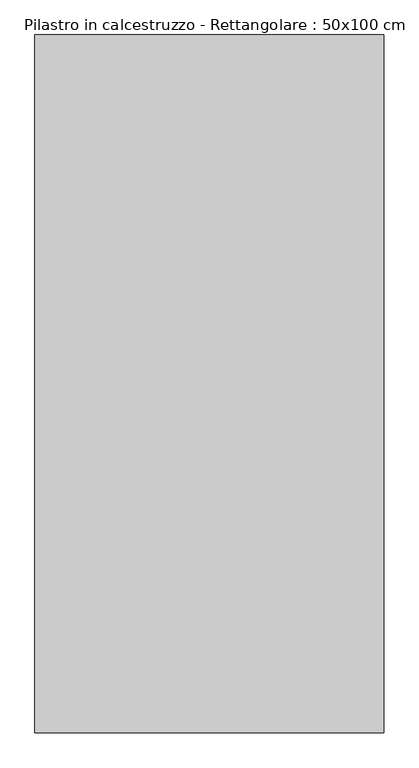
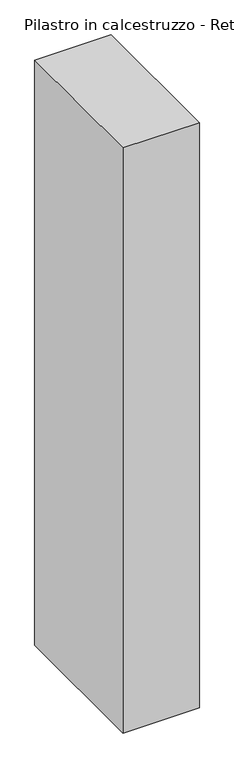
"""IFC4 building model written with IfcOpenShell, lengths in millimetres: column geometry, Pilastro in calcestruzzo - Rettangolare : 50x100 cm."""

import ifcopenshell
import ifcopenshell.guid

model = None  # the IFC model being written
_history = None  # IfcOwnerHistory: only IFC2X3 demands one
_inside = {}  # id of a spatial element -> (the spatial element, [elements in it])
_under = {}  # id of a project, library or spatial element -> (it, [spatial elements below it])
_declared = {}  # id of a project -> (the project, [libraries it declares])
_typed = {}  # id of a type object -> (the type object, [elements of that type])
_made_of = {}  # id of a material, layer set ... -> (it, [elements and type objects made of it])


def new_model(schema):
    """Start an empty IFC model of exactly this schema.

    Asked for "IFC4X3", IfcOpenShell would pick the latest addendum, in which some entities
    have other attributes; the version numbers below select the first issue.
    IFC2X3 requires an IfcOwnerHistory on every rooted entity: one is made here for all.
    """
    global model, _history
    if schema == "IFC4X3":
        model = ifcopenshell.file(schema_version=(4, 3, 0, 0))
    else:
        model = ifcopenshell.file(schema=schema)
    _inside.clear()
    _under.clear()
    _declared.clear()
    _typed.clear()
    _made_of.clear()
    _history = None
    if model.schema == "IFC2X3":
        org = make("IfcOrganization", Name="unknown")
        user = make(
            "IfcPersonAndOrganization",
            ThePerson=make("IfcPerson", FamilyName="unknown"),
            TheOrganization=org,
        )
        app = make(
            "IfcApplication",
            ApplicationDeveloper=org,
            Version="unknown",
            ApplicationFullName="unknown",
            ApplicationIdentifier="unknown",
        )
        _history = make(
            "IfcOwnerHistory",
            OwningUser=user,
            OwningApplication=app,
            ChangeAction="ADDED",
            CreationDate=0,
        )
    return model


def make(cls, **values):
    """One entity of the class cls with the attributes given. An attribute that is None is left unset."""
    return model.create_entity(
        cls, **{name: value for name, value in values.items() if value is not None}
    )


def rooted(cls, **values):
    """An entity with a GlobalId (a new one), such as an element, a storey or a relation."""
    return make(cls, GlobalId=ifcopenshell.guid.new(), OwnerHistory=_history, **values)


def si_unit(unit_type, name, prefix=None):
    """IfcSIUnit, for example si_unit("LENGTHUNIT", "METRE", prefix="MILLI")."""
    return make("IfcSIUnit", UnitType=unit_type, Prefix=prefix, Name=name)


def assignment(units):
    """IfcUnitAssignment: the units of a project."""
    return None if units is None else make("IfcUnitAssignment", Units=units)


def point(xyz):
    """IfcCartesianPoint."""
    return None if xyz is None else make("IfcCartesianPoint", Coordinates=xyz)


def direction(xyz):
    """IfcDirection."""
    return None if xyz is None else make("IfcDirection", DirectionRatios=xyz)


def frame(location, z_axis=None, x_axis=None):
    """IfcAxis2Placement3D, a coordinate frame: its origin and axes. An axis left out is left unset."""
    return make(
        "IfcAxis2Placement3D",
        Location=point(location),
        Axis=direction(z_axis),
        RefDirection=direction(x_axis),
    )


def origin():
    """The frame at (0, 0, 0) with its axes left unset."""
    return frame((0.0, 0.0, 0.0))


def place(relative_to, where):
    """IfcLocalPlacement: puts the frame where relative to a parent placement (None: the world)."""
    return make(
        "IfcLocalPlacement", PlacementRelTo=relative_to, RelativePlacement=where
    )


def context(
    kind, dimensions, precision=None, world=None, true_north=None, identifier=None
):
    """IfcGeometricRepresentationContext, for example the 3D "Model" context."""
    return make(
        "IfcGeometricRepresentationContext",
        ContextIdentifier=identifier,
        ContextType=kind,
        CoordinateSpaceDimension=dimensions,
        Precision=precision,
        WorldCoordinateSystem=world,
        TrueNorth=true_north,
    )


def project(units=None, contexts=None):
    """IfcProject with its units and contexts."""
    return rooted(
        "IfcProject",
        Name="project",
        RepresentationContexts=contexts,
        UnitsInContext=assignment(units),
    )


def spatial(cls, under=None, at=None, **own):
    """A site, building, storey or space (cls), placed at a placement, below another one or the project."""
    s = rooted(cls, ObjectPlacement=at, **own)
    if under is not None:
        _under.setdefault(under.id(), (under, []))[1].append(s)
    return s


def polyline(points):
    """IfcPolyline through the points."""
    return make("IfcPolyline", Points=[point(p) for p in points])


def outline(outer, holes=None, kind="AREA"):
    """IfcArbitraryClosedProfileDef: a profile drawn as a closed curve; with holes, ...WithVoids."""
    if holes is None:
        return make("IfcArbitraryClosedProfileDef", ProfileType=kind, OuterCurve=outer)
    return make(
        "IfcArbitraryProfileDefWithVoids",
        ProfileType=kind,
        OuterCurve=outer,
        InnerCurves=holes,
    )


def extrude(swept, where, along, depth):
    """IfcExtrudedAreaSolid: the profile swept, set in the frame where, extruded along a direction by depth."""
    return make(
        "IfcExtrudedAreaSolid",
        SweptArea=swept,
        Position=where,
        ExtrudedDirection=direction(along),
        Depth=depth,
    )


def shape(context_of_items, identifier, shape_type, items):
    """IfcShapeRepresentation: the items that make up one representation, for example the "Body"."""
    return make(
        "IfcShapeRepresentation",
        ContextOfItems=context_of_items,
        RepresentationIdentifier=identifier,
        RepresentationType=shape_type,
        Items=items,
    )


def source(mapping_origin, context_of_items, identifier, shape_type, items):
    """IfcRepresentationMap: a shape defined once, which mapped items show again and again."""
    return make(
        "IfcRepresentationMap",
        MappingOrigin=mapping_origin,
        MappedRepresentation=shape(context_of_items, identifier, shape_type, items),
    )


def transform(
    local_origin,
    x_axis=None,
    y_axis=None,
    z_axis=None,
    scale=None,
    scale2=None,
    scale3=None,
    uniform=True,
):
    """IfcCartesianTransformationOperator3D, or its non-uniform kind. x_axis, y_axis, z_axis: its Axis1, 2, 3."""
    if uniform:
        return make(
            "IfcCartesianTransformationOperator3D",
            Axis1=direction(x_axis),
            Axis2=direction(y_axis),
            LocalOrigin=point(local_origin),
            Scale=scale,
            Axis3=direction(z_axis),
        )
    return make(
        "IfcCartesianTransformationOperator3DnonUniform",
        Axis1=direction(x_axis),
        Axis2=direction(y_axis),
        LocalOrigin=point(local_origin),
        Scale=scale,
        Axis3=direction(z_axis),
        Scale2=scale2,
        Scale3=scale3,
    )


def mapped(mapping_source, mapping_target):
    """IfcMappedItem: shows the shape of a source again, moved by a transform."""
    return make(
        "IfcMappedItem", MappingSource=mapping_source, MappingTarget=mapping_target
    )


def made_of(thing, what):
    """Note that an element or type object is made of a material, layer set ...; save() writes the relation."""
    if what is not None:
        _made_of.setdefault(what.id(), (what, []))[1].append(thing)
    return thing


def element(
    cls,
    number,
    at=None,
    inside=None,
    cuts=None,
    type_object=None,
    material=None,
    context=None,
    identifier="Body",
    shape_type=None,
    held_by="IfcProductDefinitionShape",
    body=None,
    shapes=None,
    **own,
):
    """One element of the class cls, such as IfcWall. Its Tag is "e" and its number.

    at: its placement. inside: the storey or other place that contains it. cuts: it is an
    opening in that element (IfcRelVoidsElement). A single representation is given by context,
    identifier, shape_type and body (its items); several are given by shapes. held_by: the class
    of the entity that holds the representations. save() writes the other relations.
    """
    e = rooted(cls, Tag="e%d" % number, ObjectPlacement=at, **own)
    if body is not None:
        shapes = [shape(context, identifier, shape_type, body)]
    if shapes is not None:
        e.Representation = make(held_by, Representations=shapes)
    if inside is not None:
        _inside.setdefault(inside.id(), (inside, []))[1].append(e)
    if cuts is not None:
        rooted(
            "IfcRelVoidsElement", RelatingBuildingElement=cuts, RelatedOpeningElement=e
        )
    if type_object is not None:
        _typed.setdefault(type_object.id(), (type_object, []))[1].append(e)
    return made_of(e, material)


def aggregate(whole, parts):
    """IfcRelAggregates: a whole, such as a stair, and the parts it consists of."""
    return rooted("IfcRelAggregates", RelatingObject=whole, RelatedObjects=parts)


def save(model, path):
    """Write the relations noted so far, then the file.

    IfcRelAggregates (storeys below a building ...), IfcRelContainedInSpatialStructure (elements
    in a storey), IfcRelDefinesByType, IfcRelAssociatesMaterial and IfcRelDeclares: one each for
    every whole, place, type object, material and project.
    """
    for whole, parts in _under.values():
        aggregate(whole, parts)
    for where, things in _inside.values():
        rooted(
            "IfcRelContainedInSpatialStructure",
            RelatedElements=things,
            RelatingStructure=where,
        )
    for kind, things in _typed.values():
        rooted("IfcRelDefinesByType", RelatedObjects=things, RelatingType=kind)
    for what, things in _made_of.values():
        rooted("IfcRelAssociatesMaterial", RelatedObjects=things, RelatingMaterial=what)
    for by, libraries in _declared.values():
        rooted("IfcRelDeclares", RelatingContext=by, RelatedDefinitions=libraries)
    model.write(path)


def pilastro_in_calcestruzzo_rettangolare_50x100_cm_27bcb8e4(model_context):
    return source(origin(), model_context, "Body", "SweptSolid", [
        extrude(outline(polyline([(250.0, 500.0), (250.0, -500.0), (-250.0, -500.0), (-250.0, 500.0), (250.0, 500.0)])), frame((0.0, 0.0, -8000.0), z_axis=(0.0, 0.0, 1.0), x_axis=(1.0, 0.0, 0.0)), (0.0, 0.0, 1.0), 4050.0),
    ])


if __name__ == "__main__":
    model = new_model("IFC4")
    model_context = context("Model", 3, world=origin())
    ifc_project = project(units=[si_unit("LENGTHUNIT", "METRE", prefix="MILLI")], contexts=[model_context])
    site = spatial("IfcSite", under=ifc_project)
    building = spatial("IfcBuilding", under=site)
    placement = place(None, origin())
    pilastro_in_calcestruzzo_rettangolare_50x100_cm_shape = pilastro_in_calcestruzzo_rettangolare_50x100_cm_27bcb8e4(model_context)
    element("IfcColumn", 1, ObjectType="Pilastro in calcestruzzo - Rettangolare : 50x100 cm", at=placement, inside=building, context=model_context, shape_type="MappedRepresentation", body=[
        mapped(pilastro_in_calcestruzzo_rettangolare_50x100_cm_shape, transform((0.0, 0.0, 0.0), x_axis=(1.0, 0.0, 0.0), y_axis=(0.0, 1.0, 0.0), z_axis=(0.0, 0.0, 1.0))),
    ])
    save(model, "model.ifc")
